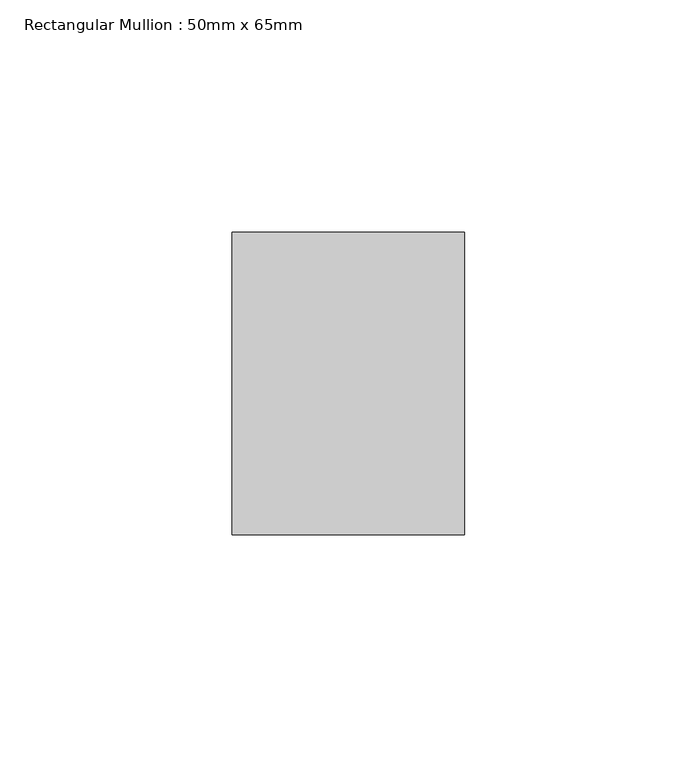
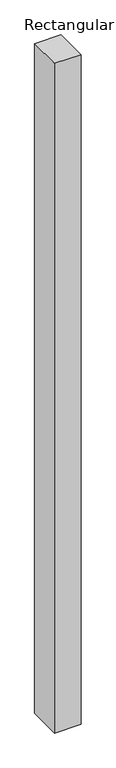
"""IFC4 building model written with IfcOpenShell, lengths in millimetres: member geometry, Rectangular Mullion : 50mm x 65mm."""

from ifc_helpers import new_model, si_unit, frame, origin, place, context, project, spatial, polyline, outline, extrude, source, transform, mapped, element, save


def rectangular_mullion_50mm_x_65mm_b9478a26(model_context):
    return source(origin(), model_context, "Body", "SweptSolid", [
        extrude(outline(polyline([(25.0, 32.5), (25.0, -32.5), (-25.0, -32.5), (-25.0, 32.5), (25.0, 32.5)])), frame((0.0, 0.0, -1337.4790865), z_axis=(0.0, 0.0, 1.0), x_axis=(1.0, 0.0, 0.0)), (0.0, 0.0, 1.0), 1337.4790865),
    ])


if __name__ == "__main__":
    model = new_model("IFC4")
    model_context = context("Model", 3, world=origin())
    ifc_project = project(units=[si_unit("LENGTHUNIT", "METRE", prefix="MILLI")], contexts=[model_context])
    site = spatial("IfcSite", under=ifc_project)
    building = spatial("IfcBuilding", under=site)
    placement = place(None, origin())
    rectangular_mullion_50mm_x_65mm_shape = rectangular_mullion_50mm_x_65mm_b9478a26(model_context)
    element("IfcMember", 1, ObjectType="Rectangular Mullion : 50mm x 65mm", at=placement, inside=building, context=model_context, shape_type="MappedRepresentation", body=[
        mapped(rectangular_mullion_50mm_x_65mm_shape, transform((0.0, 0.0, 0.0), x_axis=(1.0, 0.0, 0.0), y_axis=(0.0, 1.0, 0.0), z_axis=(0.0, 0.0, 1.0))),
    ])
    save(model, "model.ifc")
